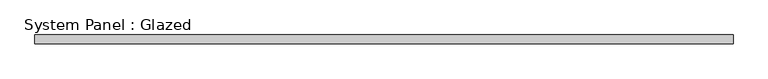
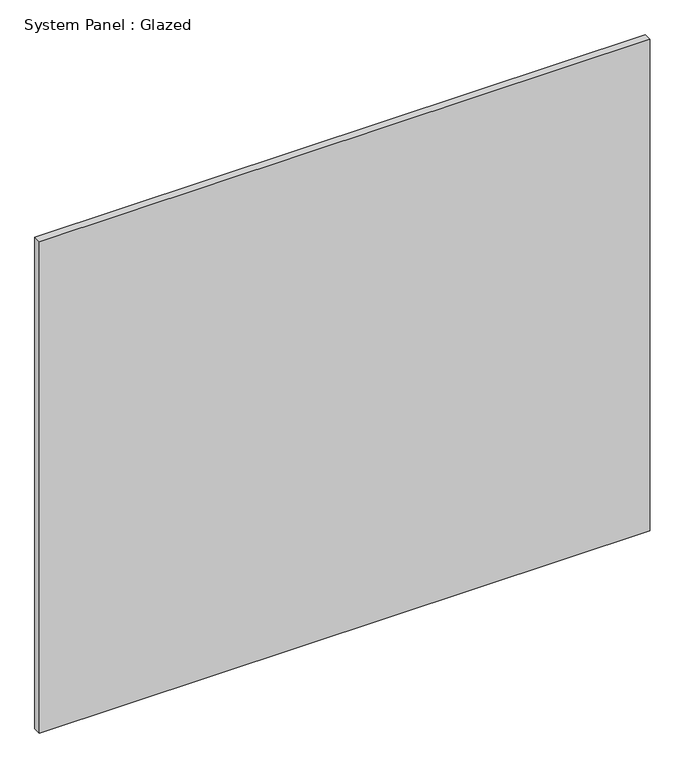
"""IFC4 building model written with IfcOpenShell, lengths in millimetres: plate geometry, System Panel : Glazed."""

from ifc_helpers import new_model, si_unit, origin, origin_with_axes, place, context, project, spatial, polyline, outline, extrude, source, transform, mapped, element, save


def system_panel_glazed_8e3720c9(model_context):
    return source(origin(), model_context, "Body", "SweptSolid", [
        extrude(outline(polyline([(1019.175, 19.05), (-1019.175, 19.05), (-1019.175, 44.45), (1019.175, 44.45), (1019.175, 19.05)])), origin_with_axes(), (0.0, 0.0, 1.0), 1733.55),
    ])


if __name__ == "__main__":
    model = new_model("IFC4")
    model_context = context("Model", 3, world=origin())
    ifc_project = project(units=[si_unit("LENGTHUNIT", "METRE", prefix="MILLI")], contexts=[model_context])
    site = spatial("IfcSite", under=ifc_project)
    building = spatial("IfcBuilding", under=site)
    placement = place(None, origin())
    system_panel_glazed_shape = system_panel_glazed_8e3720c9(model_context)
    element("IfcPlate", 1, ObjectType="System Panel : Glazed", at=placement, inside=building, context=model_context, shape_type="MappedRepresentation", body=[
        mapped(system_panel_glazed_shape, transform((0.0, 0.0, 0.0), x_axis=(1.0, 0.0, 0.0), y_axis=(0.0, 1.0, 0.0), z_axis=(0.0, 0.0, 1.0))),
    ])
    save(model, "model.ifc")
